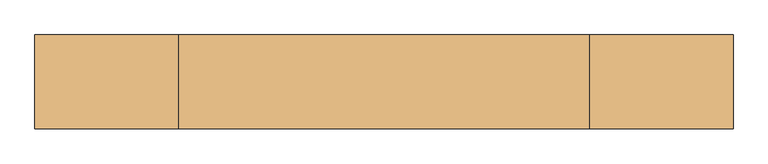
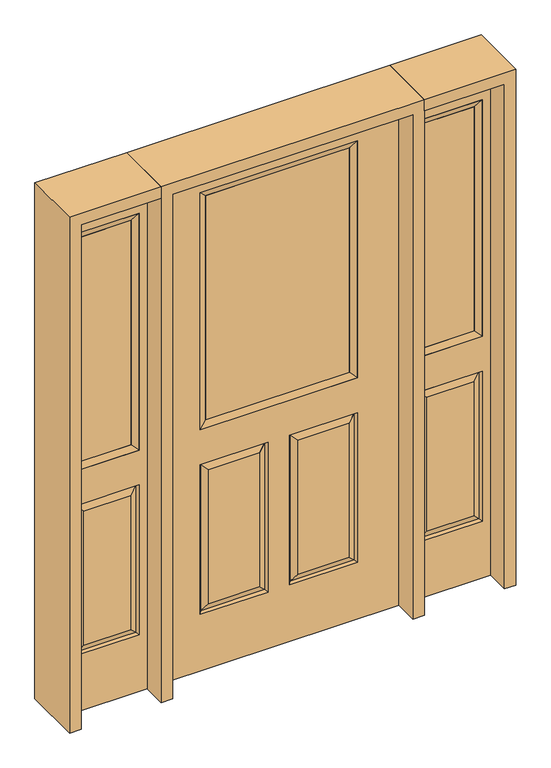
"""IFC4 building model written with IfcOpenShell, lengths in millimetres: door geometry."""

from ifc_helpers import new_model, si_unit, frame, origin, place, context, project, spatial, polyline, outline, extrude, faceted_brep, source, transform, mapped, element, save


def door_738a3d86(model_context):
    return source(origin(), model_context, "Body", "SolidModel", [
        faceted_brep([(-457.2, 22.225, 0.0), (-457.2, 22.225, 2032.0), (457.2, 22.225, 2032.0), (457.2, 22.225, 0.0), (-299.339, 22.225, 971.55), (299.339, 22.225, 971.55), (299.339, 22.225, 1925.574), (-299.339, 22.225, 1925.574), (-299.339, 22.225, 831.85), (-299.339, 22.225, 228.6), (-41.275, 22.225, 228.6), (-41.275, 22.225, 831.85), (41.275, 22.225, 831.85), (41.275, 22.225, 228.6), (299.339, 22.225, 228.6), (299.339, 22.225, 831.85), (-73.025, 22.225, 800.1), (-73.025, 22.225, 260.35), (-267.589, 22.225, 260.35), (-267.589, 22.225, 800.1), (267.589, 22.225, 800.1), (267.589, 22.225, 260.35), (73.025, 22.225, 260.35), (73.025, 22.225, 800.1), (457.2, -22.225, 0.0), (-457.2, -22.225, 0.0), (457.2, -22.225, 2032.0), (-457.2, -22.225, 2032.0), (-299.339, -22.225, 1925.574), (-299.339, -22.225, 971.55), (299.339, -22.225, 971.55), (299.339, -22.225, 1925.574), (-41.275, -22.225, 831.85), (-41.275, -22.225, 228.6), (-299.339, -22.225, 228.6), (-299.339, -22.225, 831.85), (299.339, -22.225, 831.85), (299.339, -22.225, 228.6), (41.275, -22.225, 228.6), (41.275, -22.225, 831.85), (-267.589, -22.225, 800.1), (-267.589, -22.225, 260.35), (-73.025, -22.225, 260.35), (-73.025, -22.225, 800.1), (73.025, -22.225, 800.1), (73.025, -22.225, 260.35), (267.589, -22.225, 260.35), (267.589, -22.225, 800.1), (-292.19525, 12.7449236, 824.70625), (-48.41875, 12.7449236, 824.70625), (-292.19525, 12.7449236, 235.74375), (-48.41875, 12.7449236, 235.74375), (292.19525, 12.7449236, 824.70625), (48.41875, 12.7449236, 824.70625), (48.41875, 12.7449236, 235.74375), (292.19525, 12.7449236, 235.74375), (-292.19525, -12.7449236, 824.70625), (-48.41875, -12.7449236, 824.70625), (-48.41875, -12.7449236, 235.74375), (-292.19525, -12.7449236, 235.74375), (292.19525, -12.7449236, 824.70625), (48.41875, -12.7449236, 824.70625), (292.19525, -12.7449236, 235.74375), (48.41875, -12.7449236, 235.74375)], [[[0, 1, 2, 3], [4, 5, 6, 7], [8, 9, 10, 11], [12, 13, 14, 15]], [[16, 17, 18, 19]], [[20, 21, 22, 23]], [[3, 24, 25, 0]], [[2, 26, 24, 3]], [[0, 25, 27, 1]], [[7, 28, 29, 4]], [[5, 30, 31, 6]], [[4, 29, 30, 5]], [[25, 24, 26, 27], [29, 28, 31, 30], [32, 33, 34, 35], [36, 37, 38, 39]], [[40, 41, 42, 43]], [[44, 45, 46, 47]], [[1, 27, 26, 2]], [[6, 31, 28, 7]], [[16, 19, 48, 49]], [[19, 18, 50, 48]], [[51, 50, 18, 17]], [[49, 51, 17, 16]], [[48, 8, 11, 49]], [[11, 10, 51, 49]], [[10, 9, 50, 51]], [[48, 50, 9, 8]], [[52, 20, 23, 53]], [[23, 22, 54, 53]], [[22, 21, 55, 54]], [[52, 55, 21, 20]], [[53, 12, 15, 52]], [[15, 14, 55, 52]], [[54, 55, 14, 13]], [[53, 54, 13, 12]], [[56, 40, 43, 57]], [[43, 42, 58, 57]], [[42, 41, 59, 58]], [[56, 59, 41, 40]], [[57, 32, 35, 56]], [[35, 34, 59, 56]], [[58, 59, 34, 33]], [[57, 58, 33, 32]], [[44, 47, 60, 61]], [[47, 46, 62, 60]], [[63, 62, 46, 45]], [[61, 63, 45, 44]], [[60, 36, 39, 61]], [[39, 38, 63, 61]], [[38, 37, 62, 63]], [[60, 62, 37, 36]]]),
        extrude(outline(polyline([(273.939, 12.7), (273.939, -12.7), (-273.939, -12.7), (-273.939, 12.7), (273.939, 12.7)])), frame((0.0, 0.0, 996.95), z_axis=(0.0, 0.0, 1.0), x_axis=(1.0, 0.0, 0.0)), (0.0, 0.0, 1.0), 903.224),
        faceted_brep([(-299.339, 22.225, 1925.574), (-299.339, 22.225, 971.55), (-299.339, -22.225, 971.55), (-299.339, -22.225, 1925.574), (299.339, 22.225, 971.55), (299.339, -22.225, 971.55), (273.939, -12.7, 996.95), (-273.939, -12.7, 996.95), (299.339, 22.225, 1925.574), (299.339, -22.225, 1925.574), (-273.939, 12.7, 996.95), (273.939, 12.7, 996.95), (-273.939, 12.7, 1900.174), (273.939, 12.7, 1900.174), (-273.939, -12.7, 1900.174), (273.939, -12.7, 1900.174)], [[[0, 1, 2, 3]], [[1, 4, 5, 2]], [[2, 5, 6, 7]], [[4, 8, 9, 5]], [[10, 11, 4, 1]], [[12, 10, 1, 0]], [[11, 13, 8, 4]], [[7, 6, 11, 10]], [[14, 7, 10, 12]], [[6, 15, 13, 11]], [[3, 2, 7, 14]], [[5, 9, 15, 6]], [[8, 0, 3, 9]], [[13, 12, 0, 8]], [[15, 14, 12, 13]], [[9, 3, 14, 15]]]),
        faceted_brep([(806.45, 22.225, 0.0), (501.65, 22.225, 0.0), (501.65, 22.225, 2032.0), (806.45, 22.225, 2032.0), (532.638, 22.225, 1925.574), (532.638, 22.225, 971.55), (775.462, 22.225, 971.55), (775.462, 22.225, 1925.574), (532.638, 22.225, 228.6), (775.462, 22.225, 228.6), (775.462, 22.225, 831.85), (532.638, 22.225, 831.85), (743.5559872, 22.225, 260.5060128), (564.5440128, 22.225, 260.5060128), (564.5440128, 22.225, 799.9439872), (743.5559872, 22.225, 799.9439872), (806.45, -22.225, 0.0), (501.65, -22.225, 0.0), (501.65, -22.225, 2032.0), (806.45, -22.225, 2032.0), (532.638, -22.225, 1925.574), (532.638, -22.225, 971.55), (775.462, -22.225, 971.55), (775.462, -22.225, 1925.574), (775.462, -22.225, 228.6), (532.638, -22.225, 228.6), (532.638, -22.225, 831.85), (775.462, -22.225, 831.85), (564.5440128, -22.225, 260.5060128), (743.5559872, -22.225, 260.5060128), (743.5559872, -22.225, 799.9439872), (564.5440128, -22.225, 799.9439872), (539.5580067, 13.0418409, 235.5200067), (768.5419933, 13.0418409, 235.5200067), (768.5419933, 13.0418409, 824.9299933), (539.5580067, 13.0418409, 824.9299933), (768.5419933, -13.0418409, 235.5200067), (539.5580067, -13.0418409, 235.5200067), (539.5580067, -13.0418409, 824.9299933), (768.5419933, -13.0418409, 824.9299933)], [[[0, 1, 2, 3], [4, 5, 6, 7], [8, 9, 10, 11]], [[12, 13, 14, 15]], [[1, 0, 16, 17]], [[2, 1, 17, 18]], [[0, 3, 19, 16]], [[5, 4, 20, 21]], [[6, 5, 21, 22]], [[7, 6, 22, 23]], [[16, 19, 18, 17], [20, 23, 22, 21], [24, 25, 26, 27]], [[28, 29, 30, 31]], [[3, 2, 18, 19]], [[4, 7, 23, 20]], [[8, 32, 33, 9]], [[9, 33, 34, 10]], [[35, 11, 10, 34]], [[32, 8, 11, 35]], [[33, 32, 13, 12]], [[13, 32, 35, 14]], [[14, 35, 34, 15]], [[33, 12, 15, 34]], [[36, 37, 25, 24]], [[25, 37, 38, 26]], [[26, 38, 39, 27]], [[36, 24, 27, 39]], [[37, 36, 29, 28]], [[29, 36, 39, 30]], [[38, 31, 30, 39]], [[37, 28, 31, 38]]]),
        extrude(outline(polyline([(558.038, 12.7), (750.062, 12.7), (750.062, -12.7), (558.038, -12.7), (558.038, 12.7)])), frame((0.0, 0.0, 996.95), z_axis=(0.0, 0.0, 1.0), x_axis=(1.0, 0.0, 0.0)), (0.0, 0.0, 1.0), 903.224),
        faceted_brep([(775.462, 22.225, 1925.574), (775.462, -22.225, 1925.574), (775.462, -22.225, 971.55), (775.462, 22.225, 971.55), (532.638, -22.225, 971.55), (532.638, 22.225, 971.55), (750.062, -12.7, 996.95), (558.038, -12.7, 996.95), (532.638, -22.225, 1925.574), (532.638, 22.225, 1925.574), (750.062, 12.7, 996.95), (558.038, 12.7, 996.95), (750.062, 12.7, 1900.174), (558.038, 12.7, 1900.174), (750.062, -12.7, 1900.174), (558.038, -12.7, 1900.174)], [[[0, 1, 2, 3]], [[3, 2, 4, 5]], [[2, 6, 7, 4]], [[5, 4, 8, 9]], [[10, 3, 5, 11]], [[12, 0, 3, 10]], [[11, 5, 9, 13]], [[6, 10, 11, 7]], [[14, 12, 10, 6]], [[7, 11, 13, 15]], [[1, 14, 6, 2]], [[4, 7, 15, 8]], [[9, 8, 1, 0]], [[13, 9, 0, 12]], [[15, 13, 12, 14]], [[8, 15, 14, 1]]]),
        faceted_brep([(-806.45, 22.225, 0.0), (-806.45, 22.225, 2032.0), (-501.65, 22.225, 2032.0), (-501.65, 22.225, 0.0), (-532.638, 22.225, 1925.574), (-775.462, 22.225, 1925.574), (-775.462, 22.225, 971.55), (-532.638, 22.225, 971.55), (-532.638, 22.225, 228.6), (-532.638, 22.225, 831.85), (-775.462, 22.225, 831.85), (-775.462, 22.225, 228.6), (-743.5559872, 22.225, 260.5060128), (-743.5559872, 22.225, 799.9439872), (-564.5440128, 22.225, 799.9439872), (-564.5440128, 22.225, 260.5060128), (-501.65, -22.225, 0.0), (-806.45, -22.225, 0.0), (-501.65, -22.225, 2032.0), (-806.45, -22.225, 2032.0), (-532.638, -22.225, 971.55), (-532.638, -22.225, 1925.574), (-775.462, -22.225, 971.55), (-775.462, -22.225, 1925.574), (-775.462, -22.225, 228.6), (-775.462, -22.225, 831.85), (-532.638, -22.225, 831.85), (-532.638, -22.225, 228.6), (-564.5440128, -22.225, 260.5060128), (-564.5440128, -22.225, 799.9439872), (-743.5559872, -22.225, 799.9439872), (-743.5559872, -22.225, 260.5060128), (-768.5419933, 13.0418409, 235.5200067), (-539.5580067, 13.0418409, 235.5200067), (-768.5419933, 13.0418409, 824.9299933), (-539.5580067, 13.0418409, 824.9299933), (-768.5419933, -13.0418409, 235.5200067), (-539.5580067, -13.0418409, 235.5200067), (-539.5580067, -13.0418409, 824.9299933), (-768.5419933, -13.0418409, 824.9299933)], [[[0, 1, 2, 3], [4, 5, 6, 7], [8, 9, 10, 11]], [[12, 13, 14, 15]], [[3, 16, 17, 0]], [[2, 18, 16, 3]], [[0, 17, 19, 1]], [[7, 20, 21, 4]], [[6, 22, 20, 7]], [[5, 23, 22, 6]], [[17, 16, 18, 19], [21, 20, 22, 23], [24, 25, 26, 27]], [[28, 29, 30, 31]], [[1, 19, 18, 2]], [[4, 21, 23, 5]], [[8, 11, 32, 33]], [[11, 10, 34, 32]], [[35, 34, 10, 9]], [[33, 35, 9, 8]], [[32, 12, 15, 33]], [[15, 14, 35, 33]], [[14, 13, 34, 35]], [[32, 34, 13, 12]], [[36, 24, 27, 37]], [[27, 26, 38, 37]], [[26, 25, 39, 38]], [[36, 39, 25, 24]], [[37, 28, 31, 36]], [[31, 30, 39, 36]], [[38, 39, 30, 29]], [[37, 38, 29, 28]]]),
        extrude(outline(polyline([(-558.038, 12.7), (-558.038, -12.7), (-750.062, -12.7), (-750.062, 12.7), (-558.038, 12.7)])), frame((0.0, 0.0, 996.95), z_axis=(0.0, 0.0, 1.0), x_axis=(1.0, 0.0, 0.0)), (0.0, 0.0, 1.0), 903.224),
        faceted_brep([(-775.462, 22.225, 1925.574), (-775.462, 22.225, 971.55), (-775.462, -22.225, 971.55), (-775.462, -22.225, 1925.574), (-532.638, 22.225, 971.55), (-532.638, -22.225, 971.55), (-558.038, -12.7, 996.95), (-750.062, -12.7, 996.95), (-532.638, 22.225, 1925.574), (-532.638, -22.225, 1925.574), (-750.062, 12.7, 996.95), (-558.038, 12.7, 996.95), (-750.062, 12.7, 1900.174), (-558.038, 12.7, 1900.174), (-750.062, -12.7, 1900.174), (-558.038, -12.7, 1900.174)], [[[0, 1, 2, 3]], [[1, 4, 5, 2]], [[2, 5, 6, 7]], [[4, 8, 9, 5]], [[10, 11, 4, 1]], [[12, 10, 1, 0]], [[11, 13, 8, 4]], [[7, 6, 11, 10]], [[14, 7, 10, 12]], [[6, 15, 13, 11]], [[3, 2, 7, 14]], [[5, 9, 15, 6]], [[8, 0, 3, 9]], [[13, 12, 0, 8]], [[15, 14, 12, 13]], [[9, 3, 14, 15]]]),
        extrude(outline(polyline([(2076.45, -501.65), (2076.45, -850.9), (0.0, -850.9), (0.0, -806.45), (2032.0, -806.45), (2032.0, -501.65), (2076.45, -501.65)])), frame((0.0, -114.3, 0.0), z_axis=(0.0, 1.0, 0.0), x_axis=(0.0, 0.0, 1.0)), (0.0, 0.0, 1.0), 228.6),
        extrude(outline(polyline([(2032.0, 501.65), (2032.0, 806.45), (0.0, 806.45), (0.0, 850.9), (2076.45, 850.9), (2076.45, 501.65), (2032.0, 501.65)])), frame((0.0, -114.3, 0.0), z_axis=(0.0, 1.0, 0.0), x_axis=(0.0, 0.0, 1.0)), (0.0, 0.0, 1.0), 228.6),
        extrude(outline(polyline([(0.0, -457.2), (2032.0, -457.2), (2032.0, 457.2), (0.0, 457.2), (0.0, 501.65), (2076.45, 501.65), (2076.45, -501.65), (0.0, -501.65), (0.0, -457.2)])), frame((0.0, -114.3, 0.0), z_axis=(0.0, 1.0, 0.0), x_axis=(0.0, 0.0, 1.0)), (0.0, 0.0, 1.0), 228.6),
    ])


if __name__ == "__main__":
    model = new_model("IFC4")
    model_context = context("Model", 3, world=origin())
    ifc_project = project(units=[si_unit("LENGTHUNIT", "METRE", prefix="MILLI")], contexts=[model_context])
    site = spatial("IfcSite", under=ifc_project)
    building = spatial("IfcBuilding", under=site)
    placement = place(None, origin())
    door_shape = door_738a3d86(model_context)
    element("IfcDoor", 1, at=placement, inside=building, context=model_context, shape_type="MappedRepresentation", body=[
        mapped(door_shape, transform((0.0, 0.0, 0.0), x_axis=(1.0, 0.0, 0.0), y_axis=(0.0, 1.0, 0.0), z_axis=(0.0, 0.0, 1.0))),
    ])
    save(model, "model.ifc")
